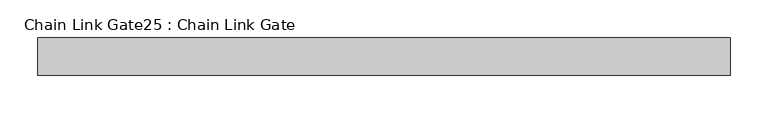
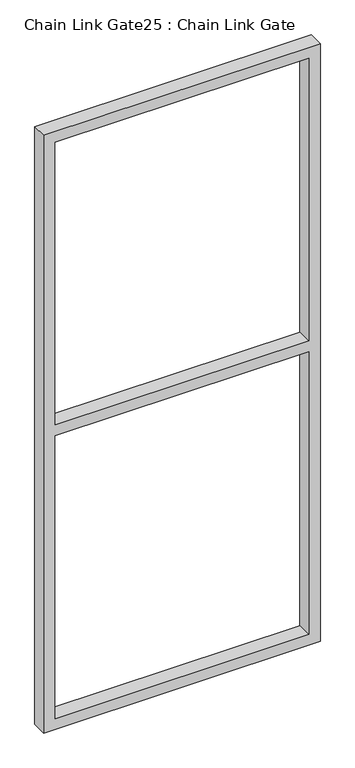
"""IFC4 building model written with IfcOpenShell, lengths in millimetres: proxy geometry, Chain Link Gate25 : Chain Link Gate."""

from ifc_helpers import new_model, si_unit, frame, origin, place, context, project, spatial, polyline, outline, extrude, source, transform, mapped, element, save


def chain_link_gate25_chain_link_gate_559633b6(model_context):
    return source(origin(), model_context, "Body", "SweptSolid", [
        extrude(outline(polyline([(2120.9, -5568.9598205), (12.7, -5568.9598205), (12.7, -4645.0348205), (2120.9, -4645.0348205), (2120.9, -5568.9598205)]), holes=[polyline([(2082.8, -5530.8598205), (2082.8, -4683.1348205), (1085.85, -4683.1348205), (1085.85, -5530.8598205), (2082.8, -5530.8598205)]), polyline([(1047.75, -4683.1348205), (50.8, -4683.1348205), (50.8, -5530.8598205), (1047.75, -5530.8598205), (1047.75, -4683.1348205)])]), frame((0.0, 15493.7112077, 0.0), z_axis=(0.0, 1.0, 0.0), x_axis=(0.0, 0.0, 1.0)), (0.0, 0.0, 1.0), 50.1314753),
    ])


if __name__ == "__main__":
    model = new_model("IFC4")
    model_context = context("Model", 3, world=origin())
    ifc_project = project(units=[si_unit("LENGTHUNIT", "METRE", prefix="MILLI")], contexts=[model_context])
    site = spatial("IfcSite", under=ifc_project)
    building = spatial("IfcBuilding", under=site)
    placement = place(None, origin())
    chain_link_gate25_chain_link_gate_shape = chain_link_gate25_chain_link_gate_559633b6(model_context)
    element("IfcBuildingElementProxy", 1, Name="Chain Link Gate25 : Chain Link Gate", ObjectType="Chain Link Gate25 : Chain Link Gate", at=placement, inside=building, context=model_context, shape_type="MappedRepresentation", body=[
        mapped(chain_link_gate25_chain_link_gate_shape, transform((0.0, 0.0, 0.0), x_axis=(1.0, 0.0, 0.0), y_axis=(0.0, 1.0, 0.0), z_axis=(0.0, 0.0, 1.0))),
    ])
    save(model, "model.ifc")
